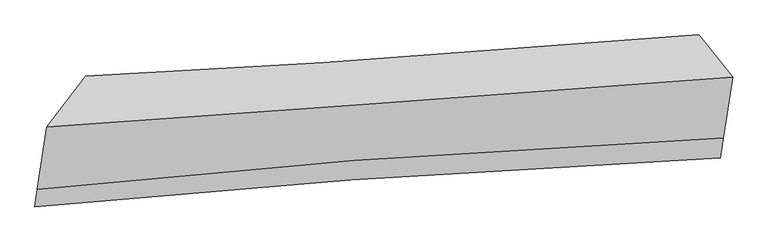
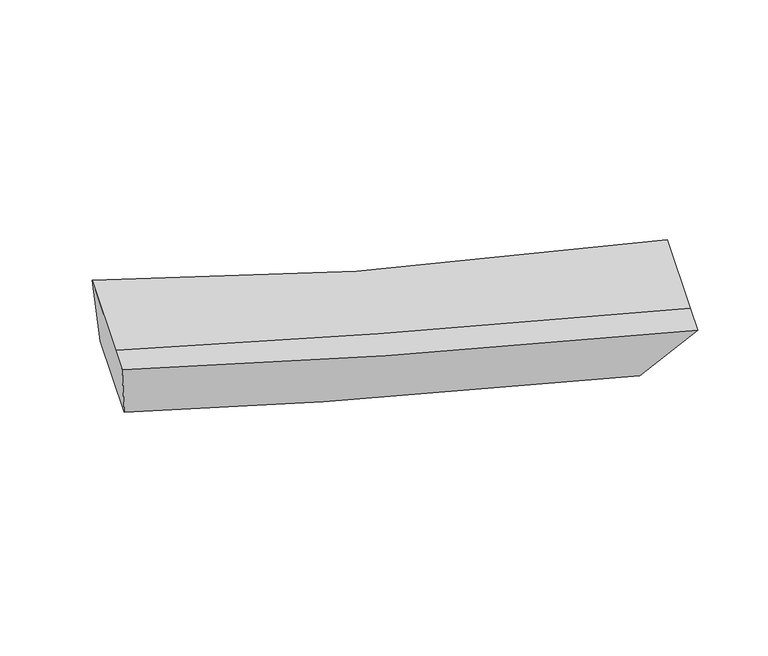
"""IFC4 building model written with IfcOpenShell, lengths in millimetres: proxy geometry."""

from ifc_helpers import new_model, si_unit, frame, origin, place, context, project, spatial, source, transform, mapped, element, save
from ifc_brep_helpers import plane_surface, spline_curve, spline_surface, advanced_brep


def generic_models_5865c7a3(model_context):
    return source(origin(), model_context, "Body", "AdvancedBrep", [
        advanced_brep(
        [(-1447.5032426, -1791.2662759, 3560.4531645), (-1705.9593667, -2128.0030136, 4342.89386), (2834.2752359, -1797.5625429, 2874.4649854), (2609.1888061, -1517.5683727, 2255.8954443), (-1768.0975378, -2543.6364783, 4056.2564124), (2773.8103849, -2202.0034058, 2595.5464033), (-1785.1987432, -2658.02403, 3977.3701854), (2754.2661502, -2332.7320363, 2505.3907153), (-1510.3521676, -2211.6538737, 3270.5370768), (2547.1691579, -1932.4090548, 1969.8047312)],
        [
            (0, 1),
            (1, 2, spline_curve(3, [(-1705.9593667, -2128.0030136, 4342.89386), (-983.702818331, -2077.037197673, 4065.163830918), (-287.576625347, -2027.272522574, 3815.206723742), (1242.794611159, -1916.346107836, 3307.704635135), (2060.079952379, -1855.963959332, 3068.185450803), (2834.2752359, -1797.5625429, 2874.4649854)], [4, 2, 4], [0.0, 6.505462159755157, 14.859453763050542])),
            (2, 3),
            (3, 0, spline_curve(3, [(2609.1888061, -1517.5683727, 2255.8954443), (1694.535726194, -1591.854135877, 2497.507001662), (866.702351485, -1653.212248485, 2740.728001279), (-451.357192426, -1739.356723025, 3176.214031039), (-975.754500458, -1769.231244666, 3367.845604583), (-1447.5032426, -1791.2662759, 3560.4531645)], [4, 2, 4], [0.0, 8.353991603295384, 14.859453763050542])),
            (1, 4),
            (4, 5, spline_curve(3, [(-1768.0975378, -2543.6364783, 4056.2564124), (-1042.047043271, -2467.29349183, 3796.027494307), (-343.680984656, -2402.546670457, 3556.402673977), (1188.25668907, -2281.142579598, 3056.126409541), (2003.859937678, -2232.011710085, 2808.847893596), (2773.8103849, -2202.0034058, 2595.5464033)], [4, 2, 4], [0.0, 6.872534547233281, 15.697902290684286])),
            (5, 2),
            (4, 6),
            (6, 7, spline_curve(3, [(-1785.1987432, -2658.02403, 3977.3701854), (-1060.319110955, -2589.51277541, 3711.740192034), (-362.767395202, -2530.212980244, 3468.358884624), (1168.124539316, -2415.803690129, 2963.258726123), (1983.727788029, -2366.672820849, 2715.980210203), (2754.2661502, -2332.7320363, 2505.3907153)], [4, 2, 4], [0.0, 6.87228984383323, 15.697343351323882])),
            (7, 5),
            (6, 8),
            (8, 9, spline_curve(3, [(-1510.3521676, -2211.6538737, 3270.5370768), (-1035.21400101, -2166.947460247, 3093.564608023), (-508.858174874, -2123.972687832, 2910.96749093), (810.406513148, -2029.767173684, 2481.040676371), (1636.557795375, -1979.660339693, 2230.060345094), (2547.1691579, -1932.4090548, 1969.8047312)], [4, 2, 4], [0.0, 6.503749266865789, 14.855541258133048])),
            (9, 7),
            (8, 0),
            (3, 9),
        ],
        [
            spline_surface(3, 3, [[(-1447.5032426, -1791.2662759, 3560.4531645), (-975.754500547, -1769.23124473, 3367.845604631), (-451.357192436, -1739.356723047, 3176.21403096), (866.702351498, -1653.212248457, 2740.728001381), (1694.535726266, -1591.854135775, 2497.507001625), (2609.1888061, -1517.5683727, 2255.8954443)], [(-1533.655283965, -1903.511855134, 3821.266729663), (-978.403939803, -1871.83322903, 3600.285013422), (-396.763670087, -1835.328656185, 3389.211595204), (992.066438034, -1740.923534923, 2929.720212631), (1816.38380163, -1679.890743684, 2687.733151376), (2684.217616038, -1610.899762778, 2462.085291324)], [(-1619.807325335, -2015.757434366, 4082.080294837), (-981.053379066, -1974.435213329, 3832.724422224), (-342.170147691, -1931.300589378, 3602.209159478), (1117.430524617, -1828.634821443, 3118.712423911), (1938.231876983, -1767.927351559, 2877.959301153), (2759.246425962, -1704.231152822, 2668.275138376)], [(-1705.9593667, -2128.0030136, 4342.89386), (-983.702818322, -2077.037197629, 4065.163831015), (-287.576625342, -2027.272522517, 3815.206723722), (1242.794611153, -1916.346107909, 3307.704635161), (2060.079952347, -1855.963959468, 3068.185450904), (2834.2752359, -1797.5625429, 2874.4649854)]], [4, 4], [4, 2, 4], [0.0, 2.3529315631040046], [0.0, 6.505462159755157, 14.859453763050542]),
            spline_surface(3, 3, [[(-1705.9593667, -2128.0030136, 4342.89386), (-983.702818322, -2077.037197629, 4065.163831015), (-287.576625342, -2027.272522517, 3815.206723722), (1242.794611153, -1916.346107909, 3307.704635161), (2060.079952347, -1855.963959468, 3068.185450904), (2834.2752359, -1797.5625429, 2874.4649854)], [(-1726.672090388, -2266.547501839, 4247.348044139), (-1003.150893309, -2207.122629019, 3975.451718813), (-306.278078409, -2152.363905158, 3728.938707119), (1224.615303755, -2037.944931794, 3223.845226652), (2041.339947478, -1981.313209681, 2981.739598517), (2814.120285557, -1932.376163878, 2781.492124702)], [(-1747.384814112, -2405.091990061, 4151.802228261), (-1022.598968331, -2337.208060394, 3885.739606594), (-324.979531491, -2277.455287823, 3642.670690511), (1206.435996342, -2159.543755702, 3139.985818139), (2022.599942638, -2106.662459861, 2895.293746126), (2793.965335243, -2067.189784822, 2688.519263998)], [(-1768.0975378, -2543.6364783, 4056.2564124), (-1042.047043317, -2467.293491784, 3796.027494392), (-343.680984558, -2402.546670465, 3556.402673908), (1188.256688944, -2281.142579588, 3056.12640963), (2003.859937768, -2232.011710074, 2808.847893739), (2773.8103849, -2202.0034058, 2595.5464033)]], [4, 4], [4, 2, 4], [0.0, 1.4831523642215645], [0.0, 6.872534547233281, 15.697902290684286]),
            spline_surface(3, 3, [[(-1768.0975378, -2543.6364783, 4056.2564124), (-1042.047043317, -2467.293491784, 3796.027494392), (-343.680984558, -2402.546670465, 3556.402673908), (1188.256688944, -2281.142579588, 3056.12640963), (2003.859937768, -2232.011710074, 2808.847893739), (2773.8103849, -2202.0034058, 2595.5464033)], [(-1773.7979396, -2581.765662177, 4029.961003409), (-1048.137732505, -2508.033252965, 3767.931726964), (-350.04312145, -2445.102107069, 3527.054744146), (1181.545972383, -2326.029616447, 3025.170515153), (1997.149221207, -2276.898746934, 2777.891999262), (2767.295639986, -2245.579615945, 2565.494507311)], [(-1779.4983414, -2619.894846123, 4003.665594391), (-1054.228421693, -2548.773014216, 3739.835959507), (-356.4052583, -2487.657543638, 3497.706814353), (1174.835255864, -2370.916653272, 2994.214620643), (1990.438504688, -2321.785783859, 2746.936104752), (2760.780895114, -2289.155826155, 2535.442611289)], [(-1785.1987432, -2658.02403, 3977.3701854), (-1060.31911088, -2589.512775397, 3711.740192079), (-362.767395192, -2530.212980242, 3468.358884591), (1168.124539303, -2415.803690132, 2963.258726166), (1983.727788127, -2366.672820719, 2715.980210275), (2754.2661502, -2332.7320363, 2505.3907153)]], [4, 4], [4, 2, 4], [0.0, 0.5295956424612752], [0.0, 6.87228984383323, 15.697343351323882]),
            spline_surface(3, 3, [[(-1785.1987432, -2658.02403, 3977.3701854), (-1060.31911088, -2589.512775397, 3711.740192079), (-362.767395192, -2530.212980242, 3468.358884591), (1168.124539303, -2415.803690132, 2963.258726166), (1983.727788127, -2366.672820719, 2715.980210275), (2754.2661502, -2332.7320363, 2505.3907153)], [(-1693.583218023, -2509.233977903, 3741.759149181), (-1051.950740978, -2448.657670384, 3505.681664074), (-411.464321772, -2394.799549436, 3282.561753373), (1048.885197267, -2287.1248513, 2802.519376248), (1868.004457263, -2237.668660443, 2554.006921857), (2685.233819443, -2199.291042495, 2326.86205394)], [(-1601.967692777, -2360.443925797, 3506.148113019), (-1043.582371007, -2307.802565362, 3299.623136124), (-460.161248341, -2259.386118656, 3096.764622132), (929.645855244, -2158.446012493, 2641.780026309), (1752.28112637, -2108.664500082, 2392.03363342), (2616.201488657, -2065.850048605, 2148.33339256)], [(-1510.3521676, -2211.6538737, 3270.5370768), (-1035.214001105, -2166.947460349, 3093.564608119), (-508.858174921, -2123.97268785, 2910.967490913), (810.406513208, -2029.767173661, 2481.040676392), (1636.557795505, -1979.660339807, 2230.060345003), (2547.1691579, -1932.4090548, 1969.8047312)]], [4, 4], [4, 2, 4], [0.0, 2.3021450731116198], [0.0, 6.503749266865789, 14.855541258133048]),
            spline_surface(3, 3, [[(-1510.3521676, -2211.6538737, 3270.5370768), (-1035.214001105, -2166.947460349, 3093.564608119), (-508.858174921, -2123.97268785, 2910.967490913), (810.406513208, -2029.767173661, 2481.040676392), (1636.557795505, -1979.660339807, 2230.060345003), (2547.1691579, -1932.4090548, 1969.8047312)], [(-1489.402525924, -2071.524674447, 3367.175772707), (-1015.394167576, -2034.37538849, 3184.991606964), (-489.69118073, -1995.767366272, 2999.383004252), (829.171792667, -1904.248865283, 2567.603118045), (1655.883772436, -1850.3916051, 2319.209230534), (2567.842373977, -1794.128827404, 2065.168302223)], [(-1468.452884276, -1931.395475153, 3463.814468593), (-995.574334075, -1901.803316589, 3276.418605787), (-470.524186626, -1867.562044625, 3087.798517621), (847.937072039, -1778.730556836, 2654.165559728), (1675.209749335, -1721.122870482, 2408.358116095), (2588.515590023, -1655.848600096, 2160.531873277)], [(-1447.5032426, -1791.2662759, 3560.4531645), (-975.754500547, -1769.23124473, 3367.845604631), (-451.357192436, -1739.356723047, 3176.21403096), (866.702351498, -1653.212248457, 2740.728001381), (1694.535726266, -1591.854135775, 2497.507001625), (2609.1888061, -1517.5683727, 2255.8954443)]], [4, 4], [4, 2, 4], [0.0, 1.5265227471589018], [0.0, 6.135622671758376, 14.014684761758666]),
            plane_surface(frame((2686.2248375, -1895.0680017, 2401.3889691), z_axis=(0.9473912140866823, 0.07324422872158282, -0.3115849329321668), x_axis=(-0.29585284610293694, 0.5718899734490915, -0.7651228344005879))),
            plane_surface(frame((-1612.25338, -2197.2367983, 3787.8135716), z_axis=(-0.9420890111457472, 0.2741015220289391, -0.19322694092658813), x_axis=(-0.12215146713876186, -0.8170539402189931, -0.5634730497978283))),
        ],
        [
            (0, [[1, 2, 3, 4]]),
            (1, [[5, 6, 7, -2]]),
            (2, [[8, 9, 10, -6]]),
            (3, [[11, 12, 13, -9]]),
            (4, [[14, -4, 15, -12]]),
            (5, [[-13, -15, -3, -7, -10]]),
            (6, [[-14, -11, -8, -5, -1]]),
        ],
    ),
    ])


if __name__ == "__main__":
    model = new_model("IFC4")
    model_context = context("Model", 3, world=origin())
    ifc_project = project(units=[si_unit("LENGTHUNIT", "METRE", prefix="MILLI")], contexts=[model_context])
    site = spatial("IfcSite", under=ifc_project)
    building = spatial("IfcBuilding", under=site)
    placement = place(None, origin())
    generic_models_shape = generic_models_5865c7a3(model_context)
    element("IfcBuildingElementProxy", 1, Name="Generic Models", at=placement, inside=building, context=model_context, shape_type="MappedRepresentation", body=[
        mapped(generic_models_shape, transform((0.0, 0.0, 0.0), x_axis=(1.0, 0.0, 0.0), y_axis=(0.0, 1.0, 0.0), z_axis=(0.0, 0.0, 1.0))),
    ])
    save(model, "model.ifc")
